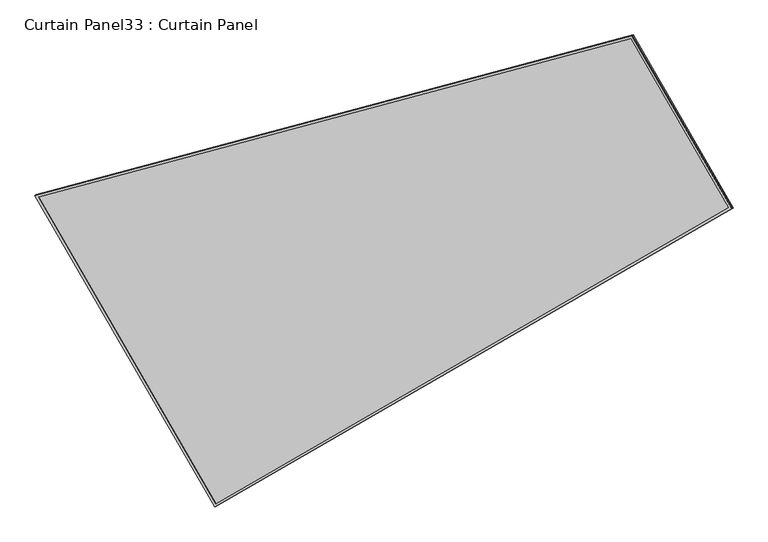
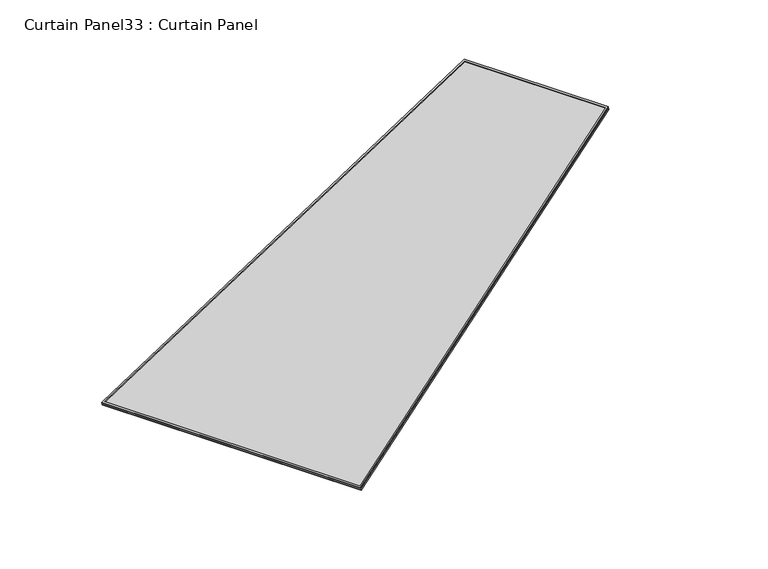
"""IFC4 building model written with IfcOpenShell, lengths in millimetres: plate geometry, Curtain Panel33 : Curtain Panel."""

from ifc_helpers import new_model, si_unit, frame, origin, place, context, project, spatial, polyline, outline, extrude, source, transform, mapped, element, save


def curtain_panel33_curtain_panel_90a28d0d(model_context):
    return source(origin(), model_context, "Body", "SweptSolid", [
        extrude(outline(polyline([(903.4000631, -2842.288964), (0.0, -2842.288964), (0.0, 0.0), (1625.9276574, 0.0), (903.4000631, -2842.288964)]), holes=[polyline([(1611.6368614, -11.1125), (11.1125, -11.1125), (11.1125, -2831.176464), (894.7590009, -2831.176464), (1611.6368614, -11.1125)])]), frame((3727.3239633, -2597.5070272, -9.1571678), z_axis=(-0.27379031486168043, -0.158072911986901, 0.9487106081329139), x_axis=(-0.499999999999989, 0.866025403784445, 0.0)), (0.0, 0.0, 1.0), 4.8426059),
        extrude(outline(polyline([(903.4000632, -2842.288964), (0.0, -2842.288964), (0.0, 0.0), (1625.9276575, 0.0), (903.4000632, -2842.288964)]), holes=[polyline([(1611.6368616, -11.1125), (11.1125, -11.1125), (11.1125001, -2831.176464), (894.759001, -2831.176464), (1611.6368616, -11.1125)])]), frame((3732.1498483, -2594.7208013, -25.8793379), z_axis=(-0.27379031486168715, -0.15807291198690493, 0.9487106081329113), x_axis=(-0.49999999999998906, 0.866025403784445, 0.0)), (0.0, 0.0, 1.0), 4.8220694),
        extrude(outline(polyline([(12.7000001, 0.0), (1638.6276574, 0.0), (916.1000632, -2842.288964), (12.7, -2842.288964), (12.7000001, 0.0)])), frame((3737.1796124, -2606.4815625, -21.3045895), z_axis=(-0.2737903148616803, -0.15807291198690102, 0.948710608132914), x_axis=(-0.4999999999999935, 0.8660254037844424, 0.0)), (0.0, 0.0, 1.0), 12.8041382),
    ])


if __name__ == "__main__":
    model = new_model("IFC4")
    model_context = context("Model", 3, world=origin())
    ifc_project = project(units=[si_unit("LENGTHUNIT", "METRE", prefix="MILLI")], contexts=[model_context])
    site = spatial("IfcSite", under=ifc_project)
    building = spatial("IfcBuilding", under=site)
    placement = place(None, origin())
    curtain_panel33_curtain_panel_shape = curtain_panel33_curtain_panel_90a28d0d(model_context)
    element("IfcPlate", 1, ObjectType="Curtain Panel33 : Curtain Panel", at=placement, inside=building, context=model_context, shape_type="MappedRepresentation", body=[
        mapped(curtain_panel33_curtain_panel_shape, transform((0.0, 0.0, 0.0), x_axis=(1.0, 0.0, 0.0), y_axis=(0.0, 1.0, 0.0), z_axis=(0.0, 0.0, 1.0))),
    ])
    save(model, "model.ifc")
